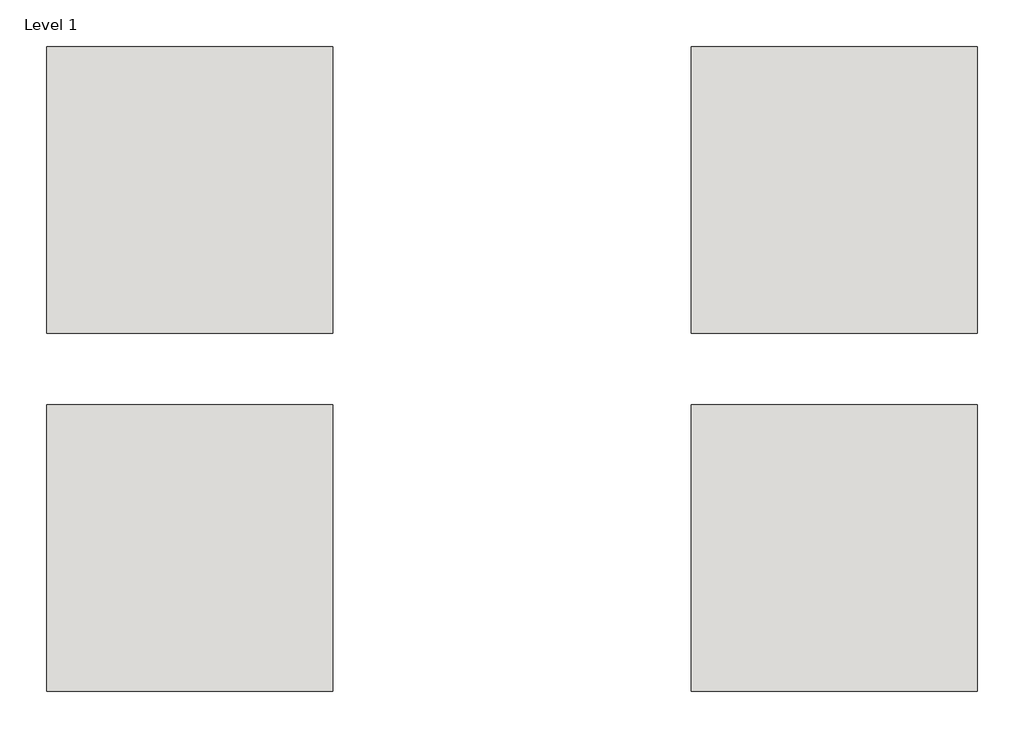
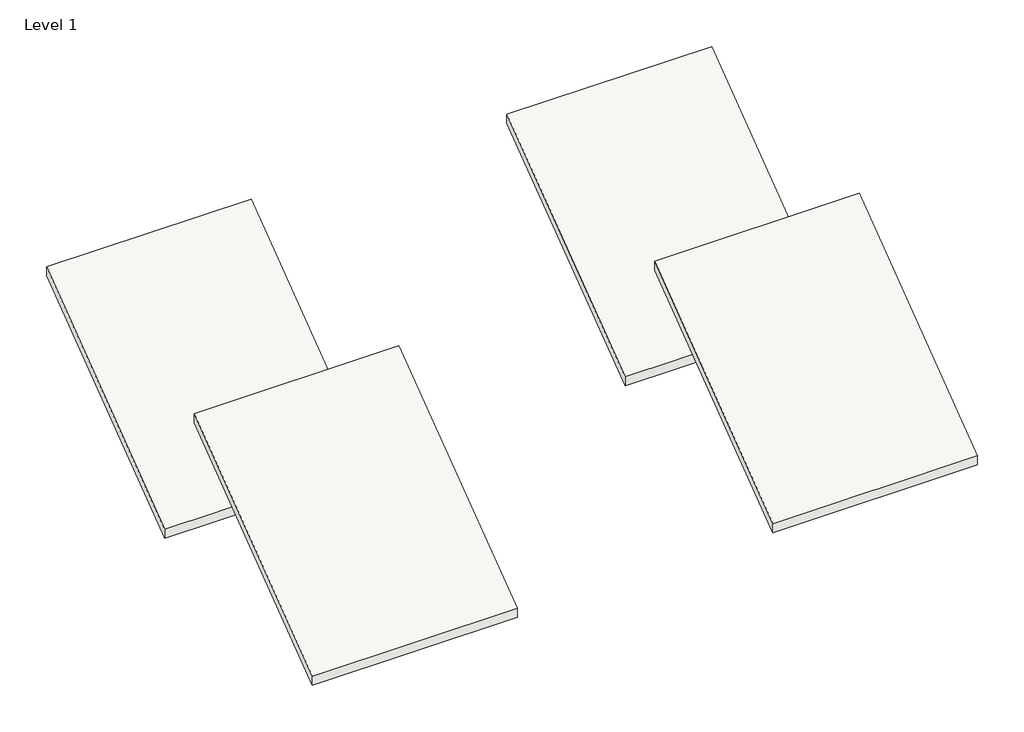
# One storey, part 7 of 10: 4 roofs.
"""IFC4 building model written with IfcOpenShell, lengths in millimetres."""

import ifcopenshell
import ifcopenshell.guid

model = None  # the IFC model being written
_history = None  # IfcOwnerHistory: only IFC2X3 demands one
_inside = {}  # id of a spatial element -> (the spatial element, [elements in it])
_under = {}  # id of a project, library or spatial element -> (it, [spatial elements below it])
_declared = {}  # id of a project -> (the project, [libraries it declares])
_typed = {}  # id of a type object -> (the type object, [elements of that type])
_made_of = {}  # id of a material, layer set ... -> (it, [elements and type objects made of it])


def new_model(schema):
    """Start an empty IFC model of exactly this schema.

    Asked for "IFC4X3", IfcOpenShell would pick the latest addendum, in which some entities
    have other attributes; the version numbers below select the first issue.
    IFC2X3 requires an IfcOwnerHistory on every rooted entity: one is made here for all.
    """
    global model, _history
    if schema == "IFC4X3":
        model = ifcopenshell.file(schema_version=(4, 3, 0, 0))
    else:
        model = ifcopenshell.file(schema=schema)
    _inside.clear()
    _under.clear()
    _declared.clear()
    _typed.clear()
    _made_of.clear()
    _history = None
    if model.schema == "IFC2X3":
        org = make("IfcOrganization", Name="unknown")
        user = make(
            "IfcPersonAndOrganization",
            ThePerson=make("IfcPerson", FamilyName="unknown"),
            TheOrganization=org,
        )
        app = make(
            "IfcApplication",
            ApplicationDeveloper=org,
            Version="unknown",
            ApplicationFullName="unknown",
            ApplicationIdentifier="unknown",
        )
        _history = make(
            "IfcOwnerHistory",
            OwningUser=user,
            OwningApplication=app,
            ChangeAction="ADDED",
            CreationDate=0,
        )
    return model


def make(cls, **values):
    """One entity of the class cls with the attributes given. An attribute that is None is left unset."""
    return model.create_entity(
        cls, **{name: value for name, value in values.items() if value is not None}
    )


def rooted(cls, **values):
    """An entity with a GlobalId (a new one), such as an element, a storey or a relation."""
    return make(cls, GlobalId=ifcopenshell.guid.new(), OwnerHistory=_history, **values)


def si_unit(unit_type, name, prefix=None):
    """IfcSIUnit, for example si_unit("LENGTHUNIT", "METRE", prefix="MILLI")."""
    return make("IfcSIUnit", UnitType=unit_type, Prefix=prefix, Name=name)


def assignment(units):
    """IfcUnitAssignment: the units of a project."""
    return None if units is None else make("IfcUnitAssignment", Units=units)


def point(xyz):
    """IfcCartesianPoint."""
    return None if xyz is None else make("IfcCartesianPoint", Coordinates=xyz)


def direction(xyz):
    """IfcDirection."""
    return None if xyz is None else make("IfcDirection", DirectionRatios=xyz)


def frame(location, z_axis=None, x_axis=None):
    """IfcAxis2Placement3D, a coordinate frame: its origin and axes. An axis left out is left unset."""
    return make(
        "IfcAxis2Placement3D",
        Location=point(location),
        Axis=direction(z_axis),
        RefDirection=direction(x_axis),
    )


def origin():
    """The frame at (0, 0, 0) with its axes left unset."""
    return frame((0.0, 0.0, 0.0))


def place(relative_to, where):
    """IfcLocalPlacement: puts the frame where relative to a parent placement (None: the world)."""
    return make(
        "IfcLocalPlacement", PlacementRelTo=relative_to, RelativePlacement=where
    )


def context(
    kind, dimensions, precision=None, world=None, true_north=None, identifier=None
):
    """IfcGeometricRepresentationContext, for example the 3D "Model" context."""
    return make(
        "IfcGeometricRepresentationContext",
        ContextIdentifier=identifier,
        ContextType=kind,
        CoordinateSpaceDimension=dimensions,
        Precision=precision,
        WorldCoordinateSystem=world,
        TrueNorth=true_north,
    )


def project(units=None, contexts=None):
    """IfcProject with its units and contexts."""
    return rooted(
        "IfcProject",
        Name="project",
        RepresentationContexts=contexts,
        UnitsInContext=assignment(units),
    )


def spatial(cls, under=None, at=None, **own):
    """A site, building, storey or space (cls), placed at a placement, below another one or the project."""
    s = rooted(cls, ObjectPlacement=at, **own)
    if under is not None:
        _under.setdefault(under.id(), (under, []))[1].append(s)
    return s


def polyline(points):
    """IfcPolyline through the points."""
    return make("IfcPolyline", Points=[point(p) for p in points])


def outline(outer, holes=None, kind="AREA"):
    """IfcArbitraryClosedProfileDef: a profile drawn as a closed curve; with holes, ...WithVoids."""
    if holes is None:
        return make("IfcArbitraryClosedProfileDef", ProfileType=kind, OuterCurve=outer)
    return make(
        "IfcArbitraryProfileDefWithVoids",
        ProfileType=kind,
        OuterCurve=outer,
        InnerCurves=holes,
    )


def extrude(swept, where, along, depth):
    """IfcExtrudedAreaSolid: the profile swept, set in the frame where, extruded along a direction by depth."""
    return make(
        "IfcExtrudedAreaSolid",
        SweptArea=swept,
        Position=where,
        ExtrudedDirection=direction(along),
        Depth=depth,
    )


def shape(context_of_items, identifier, shape_type, items):
    """IfcShapeRepresentation: the items that make up one representation, for example the "Body"."""
    return make(
        "IfcShapeRepresentation",
        ContextOfItems=context_of_items,
        RepresentationIdentifier=identifier,
        RepresentationType=shape_type,
        Items=items,
    )


def made_of(thing, what):
    """Note that an element or type object is made of a material, layer set ...; save() writes the relation."""
    if what is not None:
        _made_of.setdefault(what.id(), (what, []))[1].append(thing)
    return thing


def element(
    cls,
    number,
    at=None,
    inside=None,
    cuts=None,
    type_object=None,
    material=None,
    context=None,
    identifier="Body",
    shape_type=None,
    held_by="IfcProductDefinitionShape",
    body=None,
    shapes=None,
    **own,
):
    """One element of the class cls, such as IfcWall. Its Tag is "e" and its number.

    at: its placement. inside: the storey or other place that contains it. cuts: it is an
    opening in that element (IfcRelVoidsElement). A single representation is given by context,
    identifier, shape_type and body (its items); several are given by shapes. held_by: the class
    of the entity that holds the representations. save() writes the other relations.
    """
    e = rooted(cls, Tag="e%d" % number, ObjectPlacement=at, **own)
    if body is not None:
        shapes = [shape(context, identifier, shape_type, body)]
    if shapes is not None:
        e.Representation = make(held_by, Representations=shapes)
    if inside is not None:
        _inside.setdefault(inside.id(), (inside, []))[1].append(e)
    if cuts is not None:
        rooted(
            "IfcRelVoidsElement", RelatingBuildingElement=cuts, RelatedOpeningElement=e
        )
    if type_object is not None:
        _typed.setdefault(type_object.id(), (type_object, []))[1].append(e)
    return made_of(e, material)


def aggregate(whole, parts):
    """IfcRelAggregates: a whole, such as a stair, and the parts it consists of."""
    return rooted("IfcRelAggregates", RelatingObject=whole, RelatedObjects=parts)


def save(model, path):
    """Write the relations noted so far, then the file.

    IfcRelAggregates (storeys below a building ...), IfcRelContainedInSpatialStructure (elements
    in a storey), IfcRelDefinesByType, IfcRelAssociatesMaterial and IfcRelDeclares: one each for
    every whole, place, type object, material and project.
    """
    for whole, parts in _under.values():
        aggregate(whole, parts)
    for where, things in _inside.values():
        rooted(
            "IfcRelContainedInSpatialStructure",
            RelatedElements=things,
            RelatingStructure=where,
        )
    for kind, things in _typed.values():
        rooted("IfcRelDefinesByType", RelatedObjects=things, RelatingType=kind)
    for what, things in _made_of.values():
        rooted("IfcRelAssociatesMaterial", RelatedObjects=things, RelatingMaterial=what)
    for by, libraries in _declared.values():
        rooted("IfcRelDeclares", RelatingContext=by, RelatedDefinitions=libraries)
    model.write(path)


model = new_model("IFC4")

# Units and contexts
model_context = context("Model", 3, world=origin())
ifc_project = project(units=[si_unit("LENGTHUNIT", "METRE", prefix="MILLI")], contexts=[model_context])

# Site, building, storey
site = spatial("IfcSite", under=ifc_project)
building = spatial("IfcBuilding", under=site)
storey = spatial("IfcBuildingStorey", under=building, Name="Level 1", Elevation=0.0)

# Roofs
placement = place(None, origin())
element("IfcRoof", 1, at=placement, inside=storey, context=model_context, shape_type="SweptSolid", body=[
    extrude(outline(polyline([(191873.0242732, -45942.0854012), (197969.0242732, -41370.0854012), (197969.0242732, -41655.8354012), (191873.0242732, -46227.8354012), (191873.0242732, -45942.0854012)])), frame((66671.5288668, 0.0, 0.0), z_axis=(1.0, 0.0, 0.0), x_axis=(0.0, 1.0, 0.0)), (0.0, 0.0, 1.0), 6096.0),
])
element("IfcRoof", 2, at=placement, inside=storey, context=model_context, shape_type="SweptSolid", body=[
    extrude(outline(polyline([(191873.0242732, -45942.0854012), (197969.0242732, -41370.0854012), (197969.0242732, -41655.8354012), (191873.0242732, -46227.8354012), (191873.0242732, -45942.0854012)])), frame((80387.5288668, 0.0, 0.0), z_axis=(1.0, 0.0, 0.0), x_axis=(0.0, 1.0, 0.0)), (0.0, 0.0, 1.0), 6096.0),
])
element("IfcRoof", 3, at=placement, inside=storey, context=model_context, shape_type="SweptSolid", body=[
    extrude(outline(polyline([(199493.0242732, -45942.0854012), (205589.0242732, -41370.0854012), (205589.0242732, -41655.8354012), (199493.0242732, -46227.8354012), (199493.0242732, -45942.0854012)])), frame((66671.5288668, 0.0, 0.0), z_axis=(1.0, 0.0, 0.0), x_axis=(0.0, 1.0, 0.0)), (0.0, 0.0, 1.0), 6096.0),
])
element("IfcRoof", 4, at=placement, inside=storey, context=model_context, shape_type="SweptSolid", body=[
    extrude(outline(polyline([(199493.0242732, -45942.0854012), (205589.0242732, -41370.0854012), (205589.0242732, -41655.8354012), (199493.0242732, -46227.8354012), (199493.0242732, -45942.0854012)])), frame((80387.5288668, 0.0, 0.0), z_axis=(1.0, 0.0, 0.0), x_axis=(0.0, 1.0, 0.0)), (0.0, 0.0, 1.0), 6096.0),
])

save(model, "model.ifc")
